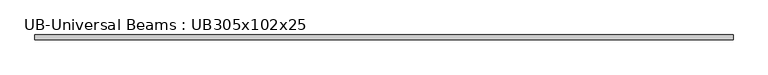
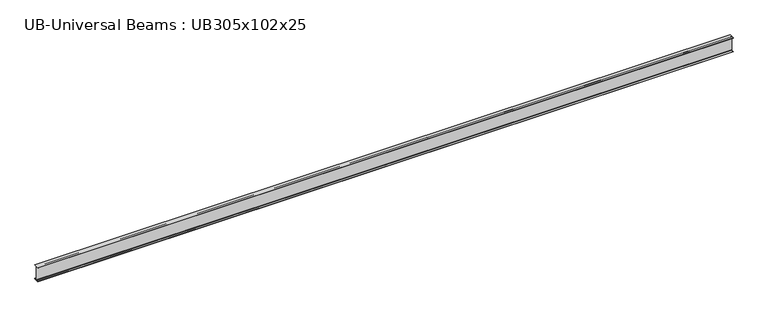
"""IFC4 building model written with IfcOpenShell, lengths in millimetres: beam geometry, UB-Universal Beams : UB305x102x25."""

from ifc_helpers import new_model, si_unit, point, frame, frame_2d, origin, place, context, project, spatial, polyline, circle_curve, trimmed, segment, composite_curve, outline, extrude, source, transform, mapped, element, save


def ub_universal_beams_ub305x102x25_8f894b5f(model_context):
    return source(origin(), model_context, "Body", "SweptSolid", [
        extrude(outline(composite_curve([segment(polyline([(50.8, -145.55), (50.8, -152.55), (-50.8, -152.55), (-50.8, -145.55), (-10.5, -145.55)]), True, "CONTINUOUS"), segment(trimmed(circle_curve(frame_2d((-10.5, -137.95)), 7.6), [point((-10.5, -145.55))], [point((-2.9, -137.95))], True, "CARTESIAN"), True, "CONTINUOUS"), segment(polyline([(-2.9, -137.95), (-2.9, 137.95)]), True, "CONTINUOUS"), segment(trimmed(circle_curve(frame_2d((-10.5, 137.95)), 7.6), [point((-2.9, 137.95))], [point((-10.5, 145.55))], True, "CARTESIAN"), True, "CONTINUOUS"), segment(polyline([(-10.5, 145.55), (-50.8, 145.55), (-50.8, 152.55), (50.8, 152.55), (50.8, 145.55), (10.5, 145.55)]), True, "CONTINUOUS"), segment(trimmed(circle_curve(frame_2d((10.5, 137.95)), 7.6), [point((10.5, 145.55))], [point((2.9, 137.95))], True, "CARTESIAN"), True, "CONTINUOUS"), segment(polyline([(2.9, 137.95), (2.9, -137.95)]), True, "CONTINUOUS"), segment(trimmed(circle_curve(frame_2d((10.5, -137.95)), 7.6), [point((2.9, -137.95))], [point((10.5, -145.55))], True, "CARTESIAN"), True, "CONTINUOUS"), segment(polyline([(10.5, -145.55), (50.8, -145.55)]), True, "CONTINUOUS")], self_intersect=False)), frame((-7110.0, 0.0, 0.0), z_axis=(1.0, 0.0, 0.0), x_axis=(0.0, 1.0, 0.0)), (0.0, 0.0, 1.0), 14220.0),
    ])


if __name__ == "__main__":
    model = new_model("IFC4")
    model_context = context("Model", 3, world=origin())
    ifc_project = project(units=[si_unit("LENGTHUNIT", "METRE", prefix="MILLI")], contexts=[model_context])
    site = spatial("IfcSite", under=ifc_project)
    building = spatial("IfcBuilding", under=site)
    placement = place(None, origin())
    ub_universal_beams_ub305x102x25_shape = ub_universal_beams_ub305x102x25_8f894b5f(model_context)
    element("IfcBeam", 1, ObjectType="UB-Universal Beams : UB305x102x25", at=placement, inside=building, context=model_context, shape_type="MappedRepresentation", body=[
        mapped(ub_universal_beams_ub305x102x25_shape, transform((0.0, 0.0, 0.0), x_axis=(1.0, 0.0, 0.0), y_axis=(0.0, 1.0, 0.0), z_axis=(0.0, 0.0, 1.0))),
    ])
    save(model, "model.ifc")
